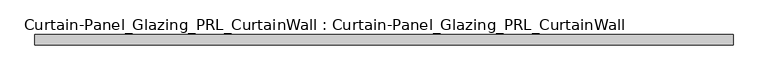
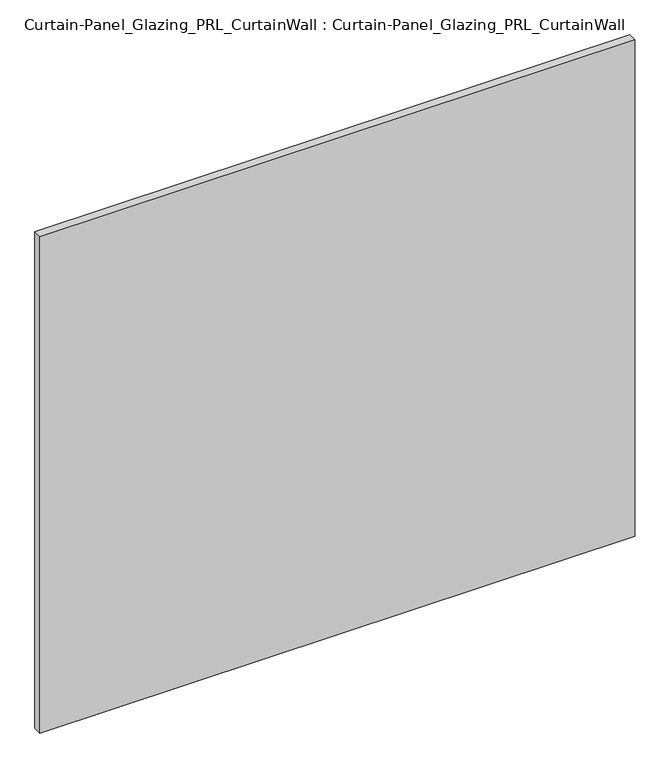
"""IFC4 building model written with IfcOpenShell, lengths in millimetres: plate geometry, Curtain-Panel_Glazing_PRL_CurtainWall : Curtain-Panel_Glazing_PRL_CurtainWall."""

from ifc_helpers import new_model, si_unit, origin, origin_with_axes, place, context, project, spatial, polyline, outline, extrude, source, transform, mapped, element, save


def curtain_panel_glazing_prl_curtainwall_curtain_panel_glazing_1c4b0bc2(model_context):
    return source(origin(), model_context, "Body", "SweptSolid", [
        extrude(outline(polyline([(858.8375, 12.7), (858.8375, -12.7), (-858.8375, -12.7), (-858.8375, 12.7), (858.8375, 12.7)])), origin_with_axes(), (0.0, 0.0, 1.0), 1514.475),
    ])


if __name__ == "__main__":
    model = new_model("IFC4")
    model_context = context("Model", 3, world=origin())
    ifc_project = project(units=[si_unit("LENGTHUNIT", "METRE", prefix="MILLI")], contexts=[model_context])
    site = spatial("IfcSite", under=ifc_project)
    building = spatial("IfcBuilding", under=site)
    placement = place(None, origin())
    curtain_panel_glazing_prl_curtainwall_curtain_panel_glazing_shape = curtain_panel_glazing_prl_curtainwall_curtain_panel_glazing_1c4b0bc2(model_context)
    element("IfcPlate", 1, ObjectType="Curtain-Panel_Glazing_PRL_CurtainWall : Curtain-Panel_Glazing_PRL_CurtainWall", at=placement, inside=building, context=model_context, shape_type="MappedRepresentation", body=[
        mapped(curtain_panel_glazing_prl_curtainwall_curtain_panel_glazing_shape, transform((0.0, 0.0, 0.0), x_axis=(1.0, 0.0, 0.0), y_axis=(0.0, 1.0, 0.0), z_axis=(0.0, 0.0, 1.0))),
    ])
    save(model, "model.ifc")
